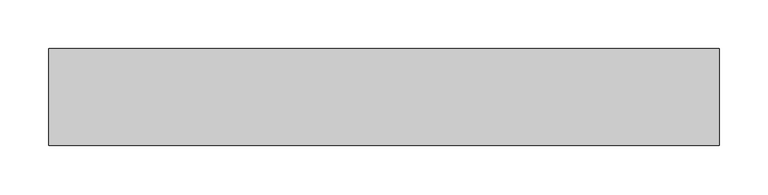
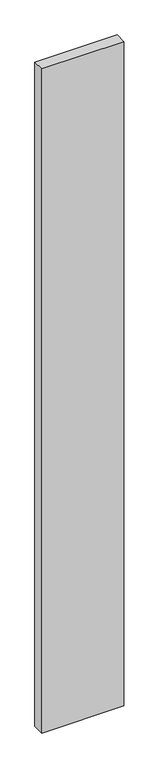
"""IFC4 building model written with IfcOpenShell, lengths in millimetres: proxy geometry."""

import ifcopenshell
import ifcopenshell.guid

model = None  # the IFC model being written
_history = None  # IfcOwnerHistory: only IFC2X3 demands one
_inside = {}  # id of a spatial element -> (the spatial element, [elements in it])
_under = {}  # id of a project, library or spatial element -> (it, [spatial elements below it])
_declared = {}  # id of a project -> (the project, [libraries it declares])
_typed = {}  # id of a type object -> (the type object, [elements of that type])
_made_of = {}  # id of a material, layer set ... -> (it, [elements and type objects made of it])


def new_model(schema):
    """Start an empty IFC model of exactly this schema.

    Asked for "IFC4X3", IfcOpenShell would pick the latest addendum, in which some entities
    have other attributes; the version numbers below select the first issue.
    IFC2X3 requires an IfcOwnerHistory on every rooted entity: one is made here for all.
    """
    global model, _history
    if schema == "IFC4X3":
        model = ifcopenshell.file(schema_version=(4, 3, 0, 0))
    else:
        model = ifcopenshell.file(schema=schema)
    _inside.clear()
    _under.clear()
    _declared.clear()
    _typed.clear()
    _made_of.clear()
    _history = None
    if model.schema == "IFC2X3":
        org = make("IfcOrganization", Name="unknown")
        user = make(
            "IfcPersonAndOrganization",
            ThePerson=make("IfcPerson", FamilyName="unknown"),
            TheOrganization=org,
        )
        app = make(
            "IfcApplication",
            ApplicationDeveloper=org,
            Version="unknown",
            ApplicationFullName="unknown",
            ApplicationIdentifier="unknown",
        )
        _history = make(
            "IfcOwnerHistory",
            OwningUser=user,
            OwningApplication=app,
            ChangeAction="ADDED",
            CreationDate=0,
        )
    return model


def make(cls, **values):
    """One entity of the class cls with the attributes given. An attribute that is None is left unset."""
    return model.create_entity(
        cls, **{name: value for name, value in values.items() if value is not None}
    )


def rooted(cls, **values):
    """An entity with a GlobalId (a new one), such as an element, a storey or a relation."""
    return make(cls, GlobalId=ifcopenshell.guid.new(), OwnerHistory=_history, **values)


def si_unit(unit_type, name, prefix=None):
    """IfcSIUnit, for example si_unit("LENGTHUNIT", "METRE", prefix="MILLI")."""
    return make("IfcSIUnit", UnitType=unit_type, Prefix=prefix, Name=name)


def assignment(units):
    """IfcUnitAssignment: the units of a project."""
    return None if units is None else make("IfcUnitAssignment", Units=units)


def point(xyz):
    """IfcCartesianPoint."""
    return None if xyz is None else make("IfcCartesianPoint", Coordinates=xyz)


def direction(xyz):
    """IfcDirection."""
    return None if xyz is None else make("IfcDirection", DirectionRatios=xyz)


def frame(location, z_axis=None, x_axis=None):
    """IfcAxis2Placement3D, a coordinate frame: its origin and axes. An axis left out is left unset."""
    return make(
        "IfcAxis2Placement3D",
        Location=point(location),
        Axis=direction(z_axis),
        RefDirection=direction(x_axis),
    )


def origin():
    """The frame at (0, 0, 0) with its axes left unset."""
    return frame((0.0, 0.0, 0.0))


def place(relative_to, where):
    """IfcLocalPlacement: puts the frame where relative to a parent placement (None: the world)."""
    return make(
        "IfcLocalPlacement", PlacementRelTo=relative_to, RelativePlacement=where
    )


def context(
    kind, dimensions, precision=None, world=None, true_north=None, identifier=None
):
    """IfcGeometricRepresentationContext, for example the 3D "Model" context."""
    return make(
        "IfcGeometricRepresentationContext",
        ContextIdentifier=identifier,
        ContextType=kind,
        CoordinateSpaceDimension=dimensions,
        Precision=precision,
        WorldCoordinateSystem=world,
        TrueNorth=true_north,
    )


def project(units=None, contexts=None):
    """IfcProject with its units and contexts."""
    return rooted(
        "IfcProject",
        Name="project",
        RepresentationContexts=contexts,
        UnitsInContext=assignment(units),
    )


def spatial(cls, under=None, at=None, **own):
    """A site, building, storey or space (cls), placed at a placement, below another one or the project."""
    s = rooted(cls, ObjectPlacement=at, **own)
    if under is not None:
        _under.setdefault(under.id(), (under, []))[1].append(s)
    return s


def polyline(points):
    """IfcPolyline through the points."""
    return make("IfcPolyline", Points=[point(p) for p in points])


def outline(outer, holes=None, kind="AREA"):
    """IfcArbitraryClosedProfileDef: a profile drawn as a closed curve; with holes, ...WithVoids."""
    if holes is None:
        return make("IfcArbitraryClosedProfileDef", ProfileType=kind, OuterCurve=outer)
    return make(
        "IfcArbitraryProfileDefWithVoids",
        ProfileType=kind,
        OuterCurve=outer,
        InnerCurves=holes,
    )


def extrude(swept, where, along, depth):
    """IfcExtrudedAreaSolid: the profile swept, set in the frame where, extruded along a direction by depth."""
    return make(
        "IfcExtrudedAreaSolid",
        SweptArea=swept,
        Position=where,
        ExtrudedDirection=direction(along),
        Depth=depth,
    )


def shape(context_of_items, identifier, shape_type, items):
    """IfcShapeRepresentation: the items that make up one representation, for example the "Body"."""
    return make(
        "IfcShapeRepresentation",
        ContextOfItems=context_of_items,
        RepresentationIdentifier=identifier,
        RepresentationType=shape_type,
        Items=items,
    )


def source(mapping_origin, context_of_items, identifier, shape_type, items):
    """IfcRepresentationMap: a shape defined once, which mapped items show again and again."""
    return make(
        "IfcRepresentationMap",
        MappingOrigin=mapping_origin,
        MappedRepresentation=shape(context_of_items, identifier, shape_type, items),
    )


def transform(
    local_origin,
    x_axis=None,
    y_axis=None,
    z_axis=None,
    scale=None,
    scale2=None,
    scale3=None,
    uniform=True,
):
    """IfcCartesianTransformationOperator3D, or its non-uniform kind. x_axis, y_axis, z_axis: its Axis1, 2, 3."""
    if uniform:
        return make(
            "IfcCartesianTransformationOperator3D",
            Axis1=direction(x_axis),
            Axis2=direction(y_axis),
            LocalOrigin=point(local_origin),
            Scale=scale,
            Axis3=direction(z_axis),
        )
    return make(
        "IfcCartesianTransformationOperator3DnonUniform",
        Axis1=direction(x_axis),
        Axis2=direction(y_axis),
        LocalOrigin=point(local_origin),
        Scale=scale,
        Axis3=direction(z_axis),
        Scale2=scale2,
        Scale3=scale3,
    )


def mapped(mapping_source, mapping_target):
    """IfcMappedItem: shows the shape of a source again, moved by a transform."""
    return make(
        "IfcMappedItem", MappingSource=mapping_source, MappingTarget=mapping_target
    )


def made_of(thing, what):
    """Note that an element or type object is made of a material, layer set ...; save() writes the relation."""
    if what is not None:
        _made_of.setdefault(what.id(), (what, []))[1].append(thing)
    return thing


def element(
    cls,
    number,
    at=None,
    inside=None,
    cuts=None,
    type_object=None,
    material=None,
    context=None,
    identifier="Body",
    shape_type=None,
    held_by="IfcProductDefinitionShape",
    body=None,
    shapes=None,
    **own,
):
    """One element of the class cls, such as IfcWall. Its Tag is "e" and its number.

    at: its placement. inside: the storey or other place that contains it. cuts: it is an
    opening in that element (IfcRelVoidsElement). A single representation is given by context,
    identifier, shape_type and body (its items); several are given by shapes. held_by: the class
    of the entity that holds the representations. save() writes the other relations.
    """
    e = rooted(cls, Tag="e%d" % number, ObjectPlacement=at, **own)
    if body is not None:
        shapes = [shape(context, identifier, shape_type, body)]
    if shapes is not None:
        e.Representation = make(held_by, Representations=shapes)
    if inside is not None:
        _inside.setdefault(inside.id(), (inside, []))[1].append(e)
    if cuts is not None:
        rooted(
            "IfcRelVoidsElement", RelatingBuildingElement=cuts, RelatedOpeningElement=e
        )
    if type_object is not None:
        _typed.setdefault(type_object.id(), (type_object, []))[1].append(e)
    return made_of(e, material)


def aggregate(whole, parts):
    """IfcRelAggregates: a whole, such as a stair, and the parts it consists of."""
    return rooted("IfcRelAggregates", RelatingObject=whole, RelatedObjects=parts)


def save(model, path):
    """Write the relations noted so far, then the file.

    IfcRelAggregates (storeys below a building ...), IfcRelContainedInSpatialStructure (elements
    in a storey), IfcRelDefinesByType, IfcRelAssociatesMaterial and IfcRelDeclares: one each for
    every whole, place, type object, material and project.
    """
    for whole, parts in _under.values():
        aggregate(whole, parts)
    for where, things in _inside.values():
        rooted(
            "IfcRelContainedInSpatialStructure",
            RelatedElements=things,
            RelatingStructure=where,
        )
    for kind, things in _typed.values():
        rooted("IfcRelDefinesByType", RelatedObjects=things, RelatingType=kind)
    for what, things in _made_of.values():
        rooted("IfcRelAssociatesMaterial", RelatedObjects=things, RelatingMaterial=what)
    for by, libraries in _declared.values():
        rooted("IfcRelDeclares", RelatingContext=by, RelatedDefinitions=libraries)
    model.write(path)


def generic_models_c12ca805(model_context):
    return source(origin(), model_context, "Body", "SweptSolid", [
        extrude(outline(polyline([(690.0, 100.0), (690.0, 0.0), (0.0, 0.0), (0.0, 100.0), (690.0, 100.0)])), frame((0.0, 0.0, -5900.0), z_axis=(0.0, 0.0, 1.0), x_axis=(1.0, 0.0, 0.0)), (0.0, 0.0, 1.0), 5900.0),
    ])


if __name__ == "__main__":
    model = new_model("IFC4")
    model_context = context("Model", 3, world=origin())
    ifc_project = project(units=[si_unit("LENGTHUNIT", "METRE", prefix="MILLI")], contexts=[model_context])
    site = spatial("IfcSite", under=ifc_project)
    building = spatial("IfcBuilding", under=site)
    placement = place(None, origin())
    generic_models_shape = generic_models_c12ca805(model_context)
    element("IfcBuildingElementProxy", 1, Name="Generic Models", at=placement, inside=building, context=model_context, shape_type="MappedRepresentation", body=[
        mapped(generic_models_shape, transform((0.0, 0.0, 0.0), x_axis=(1.0, 0.0, 0.0), y_axis=(0.0, 1.0, 0.0), z_axis=(0.0, 0.0, 1.0))),
    ])
    save(model, "model.ifc")
